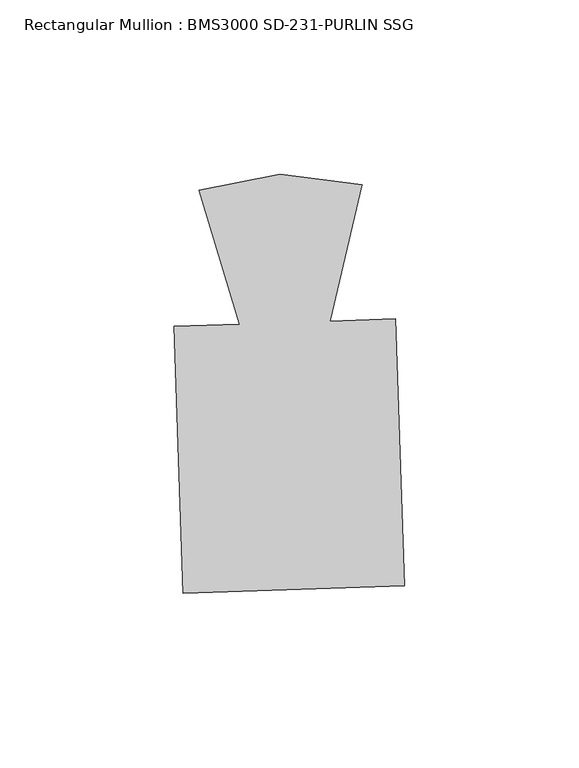
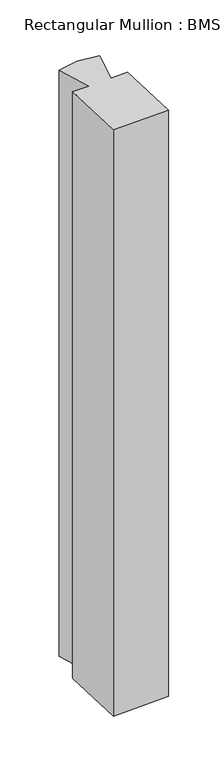
"""IFC4 building model written with IfcOpenShell, lengths in millimetres: member geometry, Rectangular Mullion : BMS3000 SD-231-PURLIN SSG."""

import ifcopenshell
import ifcopenshell.guid

model = None  # the IFC model being written
_history = None  # IfcOwnerHistory: only IFC2X3 demands one
_inside = {}  # id of a spatial element -> (the spatial element, [elements in it])
_under = {}  # id of a project, library or spatial element -> (it, [spatial elements below it])
_declared = {}  # id of a project -> (the project, [libraries it declares])
_typed = {}  # id of a type object -> (the type object, [elements of that type])
_made_of = {}  # id of a material, layer set ... -> (it, [elements and type objects made of it])


def new_model(schema):
    """Start an empty IFC model of exactly this schema.

    Asked for "IFC4X3", IfcOpenShell would pick the latest addendum, in which some entities
    have other attributes; the version numbers below select the first issue.
    IFC2X3 requires an IfcOwnerHistory on every rooted entity: one is made here for all.
    """
    global model, _history
    if schema == "IFC4X3":
        model = ifcopenshell.file(schema_version=(4, 3, 0, 0))
    else:
        model = ifcopenshell.file(schema=schema)
    _inside.clear()
    _under.clear()
    _declared.clear()
    _typed.clear()
    _made_of.clear()
    _history = None
    if model.schema == "IFC2X3":
        org = make("IfcOrganization", Name="unknown")
        user = make(
            "IfcPersonAndOrganization",
            ThePerson=make("IfcPerson", FamilyName="unknown"),
            TheOrganization=org,
        )
        app = make(
            "IfcApplication",
            ApplicationDeveloper=org,
            Version="unknown",
            ApplicationFullName="unknown",
            ApplicationIdentifier="unknown",
        )
        _history = make(
            "IfcOwnerHistory",
            OwningUser=user,
            OwningApplication=app,
            ChangeAction="ADDED",
            CreationDate=0,
        )
    return model


def make(cls, **values):
    """One entity of the class cls with the attributes given. An attribute that is None is left unset."""
    return model.create_entity(
        cls, **{name: value for name, value in values.items() if value is not None}
    )


def rooted(cls, **values):
    """An entity with a GlobalId (a new one), such as an element, a storey or a relation."""
    return make(cls, GlobalId=ifcopenshell.guid.new(), OwnerHistory=_history, **values)


def si_unit(unit_type, name, prefix=None):
    """IfcSIUnit, for example si_unit("LENGTHUNIT", "METRE", prefix="MILLI")."""
    return make("IfcSIUnit", UnitType=unit_type, Prefix=prefix, Name=name)


def assignment(units):
    """IfcUnitAssignment: the units of a project."""
    return None if units is None else make("IfcUnitAssignment", Units=units)


def point(xyz):
    """IfcCartesianPoint."""
    return None if xyz is None else make("IfcCartesianPoint", Coordinates=xyz)


def direction(xyz):
    """IfcDirection."""
    return None if xyz is None else make("IfcDirection", DirectionRatios=xyz)


def frame(location, z_axis=None, x_axis=None):
    """IfcAxis2Placement3D, a coordinate frame: its origin and axes. An axis left out is left unset."""
    return make(
        "IfcAxis2Placement3D",
        Location=point(location),
        Axis=direction(z_axis),
        RefDirection=direction(x_axis),
    )


def origin():
    """The frame at (0, 0, 0) with its axes left unset."""
    return frame((0.0, 0.0, 0.0))


def place(relative_to, where):
    """IfcLocalPlacement: puts the frame where relative to a parent placement (None: the world)."""
    return make(
        "IfcLocalPlacement", PlacementRelTo=relative_to, RelativePlacement=where
    )


def context(
    kind, dimensions, precision=None, world=None, true_north=None, identifier=None
):
    """IfcGeometricRepresentationContext, for example the 3D "Model" context."""
    return make(
        "IfcGeometricRepresentationContext",
        ContextIdentifier=identifier,
        ContextType=kind,
        CoordinateSpaceDimension=dimensions,
        Precision=precision,
        WorldCoordinateSystem=world,
        TrueNorth=true_north,
    )


def project(units=None, contexts=None):
    """IfcProject with its units and contexts."""
    return rooted(
        "IfcProject",
        Name="project",
        RepresentationContexts=contexts,
        UnitsInContext=assignment(units),
    )


def spatial(cls, under=None, at=None, **own):
    """A site, building, storey or space (cls), placed at a placement, below another one or the project."""
    s = rooted(cls, ObjectPlacement=at, **own)
    if under is not None:
        _under.setdefault(under.id(), (under, []))[1].append(s)
    return s


def polyline(points):
    """IfcPolyline through the points."""
    return make("IfcPolyline", Points=[point(p) for p in points])


def outline(outer, holes=None, kind="AREA"):
    """IfcArbitraryClosedProfileDef: a profile drawn as a closed curve; with holes, ...WithVoids."""
    if holes is None:
        return make("IfcArbitraryClosedProfileDef", ProfileType=kind, OuterCurve=outer)
    return make(
        "IfcArbitraryProfileDefWithVoids",
        ProfileType=kind,
        OuterCurve=outer,
        InnerCurves=holes,
    )


def extrude(swept, where, along, depth):
    """IfcExtrudedAreaSolid: the profile swept, set in the frame where, extruded along a direction by depth."""
    return make(
        "IfcExtrudedAreaSolid",
        SweptArea=swept,
        Position=where,
        ExtrudedDirection=direction(along),
        Depth=depth,
    )


def shape(context_of_items, identifier, shape_type, items):
    """IfcShapeRepresentation: the items that make up one representation, for example the "Body"."""
    return make(
        "IfcShapeRepresentation",
        ContextOfItems=context_of_items,
        RepresentationIdentifier=identifier,
        RepresentationType=shape_type,
        Items=items,
    )


def source(mapping_origin, context_of_items, identifier, shape_type, items):
    """IfcRepresentationMap: a shape defined once, which mapped items show again and again."""
    return make(
        "IfcRepresentationMap",
        MappingOrigin=mapping_origin,
        MappedRepresentation=shape(context_of_items, identifier, shape_type, items),
    )


def transform(
    local_origin,
    x_axis=None,
    y_axis=None,
    z_axis=None,
    scale=None,
    scale2=None,
    scale3=None,
    uniform=True,
):
    """IfcCartesianTransformationOperator3D, or its non-uniform kind. x_axis, y_axis, z_axis: its Axis1, 2, 3."""
    if uniform:
        return make(
            "IfcCartesianTransformationOperator3D",
            Axis1=direction(x_axis),
            Axis2=direction(y_axis),
            LocalOrigin=point(local_origin),
            Scale=scale,
            Axis3=direction(z_axis),
        )
    return make(
        "IfcCartesianTransformationOperator3DnonUniform",
        Axis1=direction(x_axis),
        Axis2=direction(y_axis),
        LocalOrigin=point(local_origin),
        Scale=scale,
        Axis3=direction(z_axis),
        Scale2=scale2,
        Scale3=scale3,
    )


def mapped(mapping_source, mapping_target):
    """IfcMappedItem: shows the shape of a source again, moved by a transform."""
    return make(
        "IfcMappedItem", MappingSource=mapping_source, MappingTarget=mapping_target
    )


def made_of(thing, what):
    """Note that an element or type object is made of a material, layer set ...; save() writes the relation."""
    if what is not None:
        _made_of.setdefault(what.id(), (what, []))[1].append(thing)
    return thing


def element(
    cls,
    number,
    at=None,
    inside=None,
    cuts=None,
    type_object=None,
    material=None,
    context=None,
    identifier="Body",
    shape_type=None,
    held_by="IfcProductDefinitionShape",
    body=None,
    shapes=None,
    **own,
):
    """One element of the class cls, such as IfcWall. Its Tag is "e" and its number.

    at: its placement. inside: the storey or other place that contains it. cuts: it is an
    opening in that element (IfcRelVoidsElement). A single representation is given by context,
    identifier, shape_type and body (its items); several are given by shapes. held_by: the class
    of the entity that holds the representations. save() writes the other relations.
    """
    e = rooted(cls, Tag="e%d" % number, ObjectPlacement=at, **own)
    if body is not None:
        shapes = [shape(context, identifier, shape_type, body)]
    if shapes is not None:
        e.Representation = make(held_by, Representations=shapes)
    if inside is not None:
        _inside.setdefault(inside.id(), (inside, []))[1].append(e)
    if cuts is not None:
        rooted(
            "IfcRelVoidsElement", RelatingBuildingElement=cuts, RelatedOpeningElement=e
        )
    if type_object is not None:
        _typed.setdefault(type_object.id(), (type_object, []))[1].append(e)
    return made_of(e, material)


def aggregate(whole, parts):
    """IfcRelAggregates: a whole, such as a stair, and the parts it consists of."""
    return rooted("IfcRelAggregates", RelatingObject=whole, RelatedObjects=parts)


def save(model, path):
    """Write the relations noted so far, then the file.

    IfcRelAggregates (storeys below a building ...), IfcRelContainedInSpatialStructure (elements
    in a storey), IfcRelDefinesByType, IfcRelAssociatesMaterial and IfcRelDeclares: one each for
    every whole, place, type object, material and project.
    """
    for whole, parts in _under.values():
        aggregate(whole, parts)
    for where, things in _inside.values():
        rooted(
            "IfcRelContainedInSpatialStructure",
            RelatedElements=things,
            RelatingStructure=where,
        )
    for kind, things in _typed.values():
        rooted("IfcRelDefinesByType", RelatedObjects=things, RelatingType=kind)
    for what, things in _made_of.values():
        rooted("IfcRelAssociatesMaterial", RelatedObjects=things, RelatingMaterial=what)
    for by, libraries in _declared.values():
        rooted("IfcRelDeclares", RelatingContext=by, RelatedDefinitions=libraries)
    model.write(path)


def rectangular_mullion_bms3000_sd_231_purlin_ssg_74b3869d(model_context):
    return source(origin(), model_context, "Body", "SweptSolid", [
        extrude(outline(polyline([(34.4381468, -82.3608969), (-29.0283962, -84.4219432), (-31.5123693, -7.9320655), (-12.7401357, -7.322446), (-24.3626947, 31.028137), (-1.1575255, 35.5448817), (22.2918004, 32.5432199), (13.1819402, -6.4806387), (31.9541738, -5.8710192), (34.4381468, -82.3608969)])), frame((0.0, 0.0, -705.5970106), z_axis=(0.0, 0.0, 1.0), x_axis=(1.0, 0.0, 0.0)), (0.0, 0.0, 1.0), 705.5970106),
    ])


if __name__ == "__main__":
    model = new_model("IFC4")
    model_context = context("Model", 3, world=origin())
    ifc_project = project(units=[si_unit("LENGTHUNIT", "METRE", prefix="MILLI")], contexts=[model_context])
    site = spatial("IfcSite", under=ifc_project)
    building = spatial("IfcBuilding", under=site)
    placement = place(None, origin())
    rectangular_mullion_bms3000_sd_231_purlin_ssg_shape = rectangular_mullion_bms3000_sd_231_purlin_ssg_74b3869d(model_context)
    element("IfcMember", 1, ObjectType="Rectangular Mullion : BMS3000 SD-231-PURLIN SSG", at=placement, inside=building, context=model_context, shape_type="MappedRepresentation", body=[
        mapped(rectangular_mullion_bms3000_sd_231_purlin_ssg_shape, transform((0.0, 0.0, 0.0), x_axis=(1.0, 0.0, 0.0), y_axis=(0.0, 1.0, 0.0), z_axis=(0.0, 0.0, 1.0))),
    ])
    save(model, "model.ifc")
